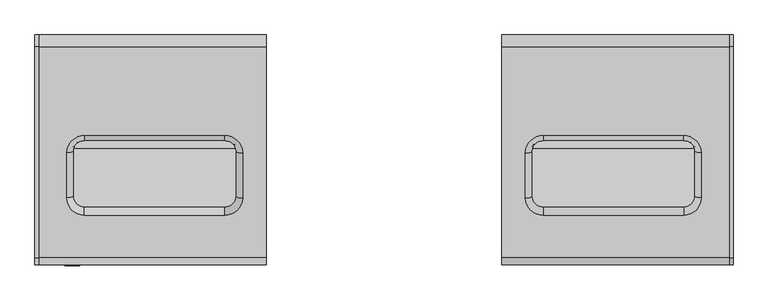
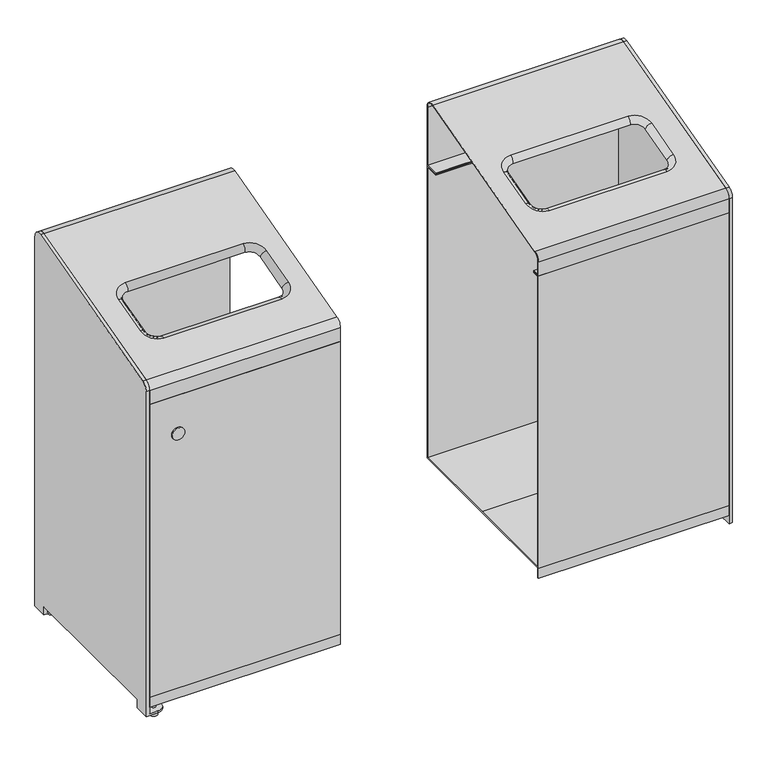
"""IFC4 building model written with IfcOpenShell, lengths in millimetres: furniture geometry."""

from ifc_helpers import new_model, si_unit, point, frame, frame_2d, origin, place, context, project, spatial, polyline, circle_curve, ellipse_curve, trimmed, segment, composite_curve, outline, extrude, source, transform, mapped, element, save
from ifc_brep_helpers import plane_surface, cylinder_surface, revolved_surface, advanced_brep


def furniture_2caf19bf(model_context):
    return source(origin(), model_context, "Body", "SolidModel", [
        advanced_brep(
        [(251.7499806, -222.1763809, 908.0446053), (251.7499806, 227.8236191, 1028.6217419), (251.7499806, 253.0, 1009.3032254), (251.7499806, 253.0, 850.9793809), (251.7499806, 215.0, 850.9793809), (251.7499806, 215.0, 852.9793809), (251.7499806, 251.0, 852.9793809), (251.7499806, 251.0, 1009.3032254), (251.7499806, 228.3412572, 1026.6898902), (251.7499806, -221.6587428, 906.1127537), (251.7499806, -235.0, 888.7260888), (251.7499806, -235.0, 852.9793809), (251.7499806, -217.0, 852.9793809), (251.7499806, -217.0, 850.9793809), (251.7499806, -237.0, 850.9793809), (251.7499806, -237.0, 888.7260888), (736.5000389, -222.1763809, 908.0446053), (736.5000389, -237.0, 888.7260888), (736.5000389, -237.0, 850.9793809), (736.5000389, -217.0, 850.9793809), (736.5000389, -217.0, 852.9793809), (736.5000389, -235.0, 852.9793809), (736.5000389, -235.0, 888.7260888), (736.5000389, -221.6587428, 906.1127537), (736.5000389, 228.3412572, 1026.6898902), (736.5000389, 251.0, 1009.3032254), (736.5000389, 251.0, 852.9793809), (736.5000389, 215.0, 852.9793809), (736.5000389, 215.0, 850.9793809), (736.5000389, 253.0, 850.9793809), (736.5000389, 253.0, 1009.3032254), (736.5000389, 227.8236191, 1028.6217419), (339.7961919, 38.6776264, 975.8696736), (301.6518658, 1.8330368, 965.9971955), (301.6518658, -94.3182984, 940.2335229), (339.8136947, -131.1797945, 930.3565148), (639.2040333, -131.1797945, 930.3565148), (677.3483593, -94.3352048, 940.2289928), (677.3483593, 1.8330368, 965.9971955), (639.2040333, 38.6776264, 975.8696736), (301.8089786, 1.3153987, 967.9290472), (339.7961919, 38.0082291, 977.7608614), (639.2040333, 38.0082291, 977.7608614), (677.1912466, 1.3153987, 967.9290472), (677.1912466, -94.8528429, 942.1608445), (639.2040333, -131.5456733, 932.3290302), (339.8136947, -131.5456733, 932.3290302), (301.8089786, -94.8359365, 942.1653746), (315.6812882, 4.9390424, 954.4054248), (339.7961919, 28.2322507, 960.6468212), (339.7961919, 30.1635684, 961.1643162), (313.681841, 4.9390424, 954.4054248), (315.6812882, -91.2122928, 928.6417522), (313.681841, -91.2122928, 928.6417522), (339.8136947, -114.5224075, 922.3958258), (339.8136947, -116.4537252, 921.8783308), (639.2040333, -114.5224075, 922.3958258), (639.2040333, -116.4537252, 921.8783308), (663.318937, -91.2291992, 928.6372221), (665.3183842, -91.2291992, 928.6372221), (663.318937, 4.9390424, 954.4054248), (665.3183842, 4.9390424, 954.4054248), (639.2040333, 28.2322507, 960.6468212), (639.2040333, 30.1635684, 961.1643162)],
        [
            (0, 1),
            (1, 2, circle_curve(frame((251.7499806, 233.0, 1009.3032254), z_axis=(-1.0, 0.0, 0.0), x_axis=(0.0, -1.0, 0.0)), 20.0)),
            (2, 3),
            (3, 4),
            (4, 5),
            (5, 6),
            (6, 7),
            (7, 8, circle_curve(frame((251.7499806, 233.0, 1009.3032254), z_axis=(1.0, 0.0, 0.0), x_axis=(0.0, -1.0, 0.0)), 18.0)),
            (8, 9),
            (9, 10, circle_curve(frame((251.7499806, -217.0, 888.7260888), z_axis=(1.0, 0.0, 0.0), x_axis=(0.0, -1.0, 0.0)), 18.0)),
            (10, 11),
            (11, 12),
            (12, 13),
            (13, 14),
            (14, 15),
            (15, 0, circle_curve(frame((251.7499806, -217.0, 888.7260888), z_axis=(-1.0, 0.0, 0.0), x_axis=(0.0, -1.0, 0.0)), 20.0)),
            (16, 17, circle_curve(frame((736.5000389, -217.0, 888.7260888), z_axis=(1.0, 0.0, 0.0), x_axis=(0.0, -1.0, 0.0)), 20.0)),
            (17, 18),
            (18, 19),
            (19, 20),
            (20, 21),
            (21, 22),
            (22, 23, circle_curve(frame((736.5000389, -217.0, 888.7260888), z_axis=(-1.0, 0.0, 0.0), x_axis=(0.0, -1.0, 0.0)), 18.0)),
            (23, 24),
            (24, 25, circle_curve(frame((736.5000389, 233.0, 1009.3032254), z_axis=(-1.0, 0.0, 0.0), x_axis=(0.0, -1.0, 0.0)), 18.0)),
            (25, 26),
            (26, 27),
            (27, 28),
            (28, 29),
            (29, 30),
            (30, 31, circle_curve(frame((736.5000389, 233.0, 1009.3032254), z_axis=(1.0, 0.0, 0.0), x_axis=(0.0, -1.0, 0.0)), 20.0)),
            (31, 16),
            (15, 17),
            (16, 0),
            (14, 18),
            (13, 19),
            (12, 20),
            (11, 21),
            (10, 22),
            (9, 23),
            (8, 24),
            (32, 33, circle_curve(frame((339.7961919, 1.8330368, 965.9971955), z_axis=(0.0, -0.2588190451025025, 0.9659258262890732), x_axis=(0.0, 0.9659258262890732, 0.2588190451025025)), 38.1443261)),
            (33, 34),
            (34, 35, circle_curve(frame((339.8136947, -94.3182984, 940.2335229), z_axis=(0.0, -0.2588190451025025, 0.9659258262890732), x_axis=(-1.0, 0.0, 0.0)), 38.1618289)),
            (35, 36),
            (36, 37, circle_curve(frame((639.2040333, -94.3352048, 940.2289928), z_axis=(0.0, -0.2588190451025025, 0.9659258262890732), x_axis=(0.0, -0.9659258262890732, -0.2588190451025025)), 38.1443261)),
            (37, 38),
            (38, 39, circle_curve(frame((639.2040333, 1.8330368, 965.9971955), z_axis=(0.0, -0.2588190451025025, 0.9659258262890732), x_axis=(1.0, 0.0, 0.0)), 38.1443261)),
            (39, 32),
            (7, 25),
            (6, 26),
            (5, 27),
            (4, 28),
            (3, 29),
            (2, 30),
            (1, 31),
            (40, 41, circle_curve(frame((339.7961919, 1.3153987, 967.9290472), z_axis=(0.0, 0.2588190451025025, -0.9659258262890732), x_axis=(0.0, 0.9659258262890732, 0.2588190451025025)), 37.9872133)),
            (41, 42),
            (42, 43, circle_curve(frame((639.2040333, 1.3153987, 967.9290472), z_axis=(0.0, 0.2588190451025025, -0.9659258262890732), x_axis=(1.0, 0.0, 0.0)), 37.9872133)),
            (43, 44),
            (44, 45, circle_curve(frame((639.2040333, -94.8528429, 942.1608445), z_axis=(0.0, 0.2588190451025025, -0.9659258262890732), x_axis=(0.0, -0.9659258262890732, -0.2588190451025025)), 37.9872133)),
            (45, 46),
            (46, 47, circle_curve(frame((339.8136947, -94.8359365, 942.1653746), z_axis=(0.0, 0.2588190451025025, -0.9659258262890732), x_axis=(-1.0, 0.0, 0.0)), 38.0047161)),
            (47, 40),
            (48, 49, circle_curve(frame((339.7961919, 4.9390424, 954.4054248), z_axis=(0.0, 0.2588190451025025, -0.9659258262890732), x_axis=(0.0, 0.9659258262890732, 0.2588190451025025)), 24.1149037)),
            (49, 41, circle_curve(frame((339.7961919, 41.5987993, 964.3606709), z_axis=(-1.0, 0.0, 0.0), x_axis=(0.0, -0.9659258262890732, -0.2588190451025025)), 13.8728981)),
            (40, 48, circle_curve(frame((301.8089786, 4.9059689, 954.5288566), z_axis=(0.0, 0.9659258262890732, 0.2588190451025025), x_axis=(1.0, 0.0, 0.0)), 13.8728981)),
            (32, 50, circle_curve(frame((339.7961919, 41.7912224, 964.2495754), z_axis=(1.0, 0.0, 0.0), x_axis=(0.0, -0.9659258262890732, -0.2588190451025025)), 12.0300109)),
            (50, 51, circle_curve(frame((339.7961919, 4.9390424, 954.4054248), z_axis=(0.0, -0.2588190451025025, 0.9659258262890732), x_axis=(0.0, 0.9659258262890732, 0.2588190451025025)), 26.1143509)),
            (51, 33, circle_curve(frame((301.6518658, 4.9466327, 954.3770973), z_axis=(0.0, -0.9659258262890732, -0.2588190451025025), x_axis=(1.0, 0.0, 0.0)), 12.0300109)),
            (47, 52, circle_curve(frame((301.8089786, -91.2453662, 928.765184), z_axis=(0.0, 0.9659258262890732, 0.2588190451025025), x_axis=(1.0, 0.0, 0.0)), 13.8728981)),
            (52, 48),
            (51, 53),
            (53, 34, circle_curve(frame((301.6518658, -91.2047024, 928.6134247), z_axis=(0.0, -0.9659258262890732, -0.2588190451025025), x_axis=(1.0, 0.0, 0.0)), 12.0300109)),
            (46, 54, circle_curve(frame((339.8136947, -127.955103, 918.9288397), z_axis=(-1.0, 0.0, 0.0), x_axis=(0.0, 0.9659258262890732, 0.2588190451025025)), 13.8728981)),
            (54, 52, circle_curve(frame((339.8136947, -91.2122928, 928.6417522), z_axis=(0.0, 0.2588190451025025, -0.9659258262890732), x_axis=(-1.0, 0.0, 0.0)), 24.1324065)),
            (53, 55, circle_curve(frame((339.8136947, -91.2122928, 928.6417522), z_axis=(0.0, -0.2588190451025025, 0.9659258262890732), x_axis=(-1.0, 0.0, 0.0)), 26.1318537)),
            (55, 35, circle_curve(frame((339.8136947, -128.0661985, 918.7364166), z_axis=(1.0, 0.0, 0.0), x_axis=(0.0, 0.9659258262890732, 0.2588190451025025)), 12.0300109)),
            (45, 56, circle_curve(frame((639.2040333, -127.955103, 918.9288397), z_axis=(-1.0, 0.0, 0.0), x_axis=(0.0, 0.9659258262890732, 0.2588190451025025)), 13.8728981)),
            (56, 54),
            (55, 57),
            (57, 36, circle_curve(frame((639.2040333, -128.0661985, 918.7364166), z_axis=(1.0, 0.0, 0.0), x_axis=(0.0, 0.9659258262890732, 0.2588190451025025)), 12.0300109)),
            (44, 58, circle_curve(frame((677.1912466, -91.2622726, 928.7606539), z_axis=(0.0, -0.9659258262890732, -0.2588190451025025), x_axis=(-1.0, 0.0, 0.0)), 13.8728981)),
            (58, 56, circle_curve(frame((639.2040333, -91.2291992, 928.6372221), z_axis=(0.0, 0.2588190451025025, -0.9659258262890732), x_axis=(0.0, -0.9659258262890732, -0.2588190451025025)), 24.1149037)),
            (57, 59, circle_curve(frame((639.2040333, -91.2291992, 928.6372221), z_axis=(0.0, -0.2588190451025025, 0.9659258262890732), x_axis=(0.0, -0.9659258262890732, -0.2588190451025025)), 26.1143509)),
            (59, 37, circle_curve(frame((677.3483593, -91.2216088, 928.6088947), z_axis=(0.0, 0.9659258262890732, 0.2588190451025025), x_axis=(-1.0, 0.0, 0.0)), 12.0300109)),
            (43, 60, circle_curve(frame((677.1912466, 4.9059689, 954.5288566), z_axis=(0.0, -0.9659258262890732, -0.2588190451025025), x_axis=(-1.0, 0.0, 0.0)), 13.8728981)),
            (60, 58),
            (59, 61),
            (61, 38, circle_curve(frame((677.3483593, 4.9466327, 954.3770973), z_axis=(0.0, 0.9659258262890732, 0.2588190451025025), x_axis=(-1.0, 0.0, 0.0)), 12.0300109)),
            (42, 62, circle_curve(frame((639.2040333, 41.5987993, 964.3606709), z_axis=(1.0, 0.0, 0.0), x_axis=(0.0, -0.9659258262890732, -0.2588190451025024)), 13.8728981)),
            (62, 60, circle_curve(frame((639.2040333, 4.9390424, 954.4054248), z_axis=(0.0, 0.2588190451025025, -0.9659258262890732), x_axis=(1.0, 0.0, 0.0)), 24.1149037)),
            (61, 63, circle_curve(frame((639.2040333, 4.9390424, 954.4054248), z_axis=(0.0, -0.2588190451025025, 0.9659258262890732), x_axis=(1.0, 0.0, 0.0)), 26.1143509)),
            (63, 39, circle_curve(frame((639.2040333, 41.7912224, 964.2495754), z_axis=(-1.0, 0.0, 0.0), x_axis=(0.0, -0.9659258262890732, -0.2588190451025024)), 12.0300109)),
            (49, 62),
            (63, 50),
        ],
        [
            plane_surface(frame((251.7499806, 227.8236191, 1028.6217419), z_axis=(-1.0, 0.0, 0.0), x_axis=(0.0, 0.9659258262890696, 0.2588190451025156))),
            plane_surface(frame((736.5000389, 227.8236191, 1028.6217419), z_axis=(1.0, 0.0, 0.0), x_axis=(0.0, -0.9659258262890696, -0.2588190451025156))),
            cylinder_surface(frame((736.5000389, -217.0, 888.7260888), z_axis=(-1.0, 0.0, 0.0), x_axis=(0.0, -1.0, 0.0)), 20.0),
            plane_surface(frame((251.7499806, -237.0, 850.9793809), z_axis=(0.0, -1.0, 0.0), x_axis=(1.0, 0.0, 0.0))),
            plane_surface(frame((251.7499806, -217.0, 850.9793809), z_axis=(0.0, 0.0, -1.0), x_axis=(1.0, 0.0, 0.0))),
            plane_surface(frame((251.7499806, -217.0, 852.9793809), z_axis=(0.0, 1.0, 0.0), x_axis=(1.0, 0.0, 0.0))),
            plane_surface(frame((251.7499806, -235.0, 852.9793809), z_axis=(0.0, 0.0, 1.0), x_axis=(1.0, 0.0, 0.0))),
            plane_surface(frame((251.7499806, -235.0, 888.7260888), z_axis=(0.0, 1.0, 0.0), x_axis=(1.0, 0.0, 0.0))),
            revolved_surface(polyline([(736.5000389, -235.0, 888.7260888), (251.74998059999996, -235.0, 888.7260888)]), (736.5000389, -217.0, 888.7260888), (1.0, 0.0, 0.0)),
            plane_surface(frame((251.7499806, 228.3412572, 1026.6898902), z_axis=(0.0, 0.25881904510251524, -0.9659258262890698), x_axis=(1.0, 0.0, 0.0))),
            revolved_surface(polyline([(736.5000389, 215.0, 1009.3032254), (251.74998059999996, 215.0, 1009.3032254)]), (736.5000389, 233.0, 1009.3032254), (1.0, 0.0, 0.0)),
            plane_surface(frame((251.7499806, 251.0, 852.9793809), z_axis=(0.0, -1.0, 0.0), x_axis=(1.0, 0.0, 0.0))),
            plane_surface(frame((251.7499806, 215.0, 852.9793809), z_axis=(0.0, 0.0, 1.0), x_axis=(1.0, 0.0, 0.0))),
            plane_surface(frame((251.7499806, 215.0, 850.9793809), z_axis=(0.0, -1.0, 0.0), x_axis=(1.0, 0.0, 0.0))),
            plane_surface(frame((251.7499806, 253.0, 850.9793809), z_axis=(0.0, 0.0, -1.0), x_axis=(1.0, 0.0, 0.0))),
            plane_surface(frame((251.7499806, 253.0, 1009.3032254), z_axis=(0.0, 1.0, 0.0), x_axis=(1.0, 0.0, 0.0))),
            cylinder_surface(frame((736.5000389, 233.0, 1009.3032254), z_axis=(-1.0, 0.0, 0.0), x_axis=(0.0, -1.0, 0.0)), 20.0),
            plane_surface(frame((251.7499806, -222.1763809, 908.0446053), z_axis=(0.0, -0.2588190451025156, 0.9659258262890696), x_axis=(1.0, 0.0, 0.0))),
            revolved_surface(trimmed(ellipse_curve(frame((339.7961919, 41.5987993, 964.3606709), z_axis=(1.0, 0.0, 0.0), x_axis=(0.0, -0.9659258262890732, -0.2588190451025025)), 13.8728981, 13.8728981), [point((339.7961919, 38.0082291, 977.7608614))], [point((339.7961919, 28.2322507, 960.6468212))], True, "CARTESIAN"), (339.7961919, 234.2524876, 98.5959962), (0.0, -0.2588190451025025, 0.9659258262890732)),
            revolved_surface(trimmed(ellipse_curve(frame((339.7961919, 41.7912224, 964.2495754), z_axis=(-1.0, 0.0, 0.0), x_axis=(0.0, -0.9659258262890732, -0.2588190451025025)), 12.0300109, 12.0300109), [point((339.7961919, 30.1635684, 961.1643162))], [point((339.7961919, 38.6776264, 975.8696736))], True, "CARTESIAN"), (339.7961919, 234.2524876, 98.5959962), (0.0, -0.2588190451025025, 0.9659258262890732)),
            cylinder_surface(frame((301.8089786, 4.9059689, 954.5288566), z_axis=(0.0, 0.9659258262890732, 0.2588190451025025), x_axis=(1.0, 0.0, 0.0)), 13.8728981),
            revolved_surface(polyline([(313.6818767, -91.20470246875668, 928.6134246903594), (313.6818767, 4.946632728688838, 954.3770973076871)]), (301.6518658, 4.9466327, 954.3770973), (0.0, -0.9659258262890732, -0.2588190451025025)),
            revolved_surface(trimmed(ellipse_curve(frame((301.8089786, -91.2453662, 928.765184), z_axis=(0.0, 0.9659258262890732, 0.2588190451025025), x_axis=(1.0, 0.0, 0.0)), 13.8728981, 13.8728981), [point((301.8089786, -94.8359365, 942.1653746))], [point((315.6812882, -91.2122928, 928.6417522))], True, "CARTESIAN"), (339.8136947, 138.1011525, 72.8323236), (0.0, -0.2588190451025025, 0.9659258262890732)),
            revolved_surface(trimmed(ellipse_curve(frame((301.6518658, -91.2047024, 928.6134247), z_axis=(0.0, -0.9659258262890732, -0.2588190451025025), x_axis=(1.0, 0.0, 0.0)), 12.0300109, 12.0300109), [point((313.681841, -91.2122928, 928.6417522))], [point((301.6518658, -94.3182984, 940.2335229))], True, "CARTESIAN"), (339.8136947, 138.1011525, 72.8323236), (0.0, -0.2588190451025025, 0.9659258262890732)),
            cylinder_surface(frame((339.8136947, -127.955103, 918.9288397), z_axis=(-1.0000000000000002, 0.0, 0.0), x_axis=(0.0, 0.9659258262890732, 0.2588190451025025)), 13.8728981),
            revolved_surface(polyline([(639.2040333000001, -116.44610028115096, 921.8500125337107), (339.8136947, -116.44610028115096, 921.8500125337107)]), (339.8136947, -128.0661985, 918.7364166), (1.0000000000000002, 0.0, 0.0)),
            revolved_surface(trimmed(ellipse_curve(frame((639.2040333, -127.955103, 918.9288397), z_axis=(-1.0, 0.0, 0.0), x_axis=(0.0, 0.9659258262890732, 0.2588190451025025)), 13.8728981, 13.8728981), [point((639.2040333, -131.5456733, 932.3290302))], [point((639.2040333, -114.5224075, 922.3958258))], True, "CARTESIAN"), (639.2040333, 138.0842461, 72.8277935), (0.0, -0.2588190451025025, 0.9659258262890732)),
            revolved_surface(trimmed(ellipse_curve(frame((639.2040333, -128.0661985, 918.7364166), z_axis=(1.0, 0.0, 0.0), x_axis=(0.0, 0.9659258262890732, 0.2588190451025025)), 12.0300109, 12.0300109), [point((639.2040333, -116.4537252, 921.8783308))], [point((639.2040333, -131.1797945, 930.3565148))], True, "CARTESIAN"), (639.2040333, 138.0842461, 72.8277935), (0.0, -0.2588190451025025, 0.9659258262890732)),
            cylinder_surface(frame((677.1912466, -91.2622726, 928.7606539), z_axis=(0.0, -0.9659258262890732, -0.2588190451025025), x_axis=(-1.0, 0.0, 0.0)), 13.8728981),
            revolved_surface(polyline([(665.3183484, 4.946632716827779, 954.3770973519531), (665.3183484, -91.221608891561, 928.6088946754662)]), (677.3483593, -91.2216088, 928.6088947), (0.0, 0.9659258262890732, 0.2588190451025025)),
            revolved_surface(trimmed(ellipse_curve(frame((677.1912466, 4.9059689, 954.5288566), z_axis=(0.0, -0.9659258262890732, -0.2588190451025025), x_axis=(-1.0, 0.0, 0.0)), 13.8728981, 13.8728981), [point((677.1912466, 1.3153987, 967.9290472))], [point((663.318937, 4.9390424, 954.4054248))], True, "CARTESIAN"), (639.2040333, 234.2524876, 98.5959962), (0.0, -0.2588190451025025, 0.9659258262890732)),
            revolved_surface(trimmed(ellipse_curve(frame((677.3483593, 4.9466327, 954.3770973), z_axis=(0.0, 0.9659258262890732, 0.2588190451025025), x_axis=(-1.0, 0.0, 0.0)), 12.0300109, 12.0300109), [point((665.3183842, 4.9390424, 954.4054248))], [point((677.3483593, 1.8330368, 965.9971955))], True, "CARTESIAN"), (639.2040333, 234.2524876, 98.5959962), (0.0, -0.2588190451025025, 0.9659258262890732)),
            cylinder_surface(frame((639.2040333, 41.5987993, 964.3606709), z_axis=(1.0, 0.0, 0.0), x_axis=(0.0, -0.9659258262890732, -0.2588190451025025)), 13.8728981),
            revolved_surface(polyline([(339.7961919, 30.171124181150944, 961.1359794662893), (639.2040333, 30.171124181150944, 961.1359794662893)]), (639.2040333, 41.7912224, 964.2495754), (-1.0, 0.0, 0.0)),
            plane_surface(frame((639.2040333, 28.2322507, 960.6468212), z_axis=(0.0, 0.2588190451025025, -0.9659258262890732), x_axis=(-1.0, 0.0, 0.0))),
        ],
        [
            (0, [[1, 2, 3, 4, 5, 6, 7, 8, 9, 10, 11, 12, 13, 14, 15, 16]]),
            (1, [[17, 18, 19, 20, 21, 22, 23, 24, 25, 26, 27, 28, 29, 30, 31, 32]]),
            (2, [[-16, 33, -17, 34]]),
            (3, [[-15, 35, -18, -33]]),
            (4, [[-14, 36, -19, -35]]),
            (5, [[-13, 37, -20, -36]]),
            (6, [[-12, 38, -21, -37]]),
            (7, [[-11, 39, -22, -38]]),
            (8, [[-10, 40, -23, -39]]),
            (9, [[-9, 41, -24, -40], [42, 43, 44, 45, 46, 47, 48, 49]]),
            (10, [[-8, 50, -25, -41]]),
            (11, [[-7, 51, -26, -50]]),
            (12, [[-6, 52, -27, -51]]),
            (13, [[-5, 53, -28, -52]]),
            (14, [[-4, 54, -29, -53]]),
            (15, [[-3, 55, -30, -54]]),
            (16, [[-2, 56, -31, -55]]),
            (17, [[-1, -34, -32, -56], [57, 58, 59, 60, 61, 62, 63, 64]]),
            (18, [[65, 66, -57, 67]]),
            (19, [[-42, 68, 69, 70]]),
            (20, [[-67, -64, 71, 72]]),
            (21, [[-70, 73, 74, -43]]),
            (22, [[-71, -63, 75, 76]]),
            (23, [[-74, 77, 78, -44]]),
            (24, [[-75, -62, 79, 80]]),
            (25, [[-78, 81, 82, -45]]),
            (26, [[-79, -61, 83, 84]]),
            (27, [[-82, 85, 86, -46]]),
            (28, [[-83, -60, 87, 88]]),
            (29, [[-86, 89, 90, -47]]),
            (30, [[-87, -59, 91, 92]]),
            (31, [[-90, 93, 94, -48]]),
            (32, [[-66, 95, -91, -58]]),
            (33, [[-68, -49, -94, 96]]),
            (34, [[-69, -96, -93, -89, -85, -81, -77, -73], [-65, -72, -76, -80, -84, -88, -92, -95]]),
        ],
    ),
        extrude(outline(polyline([(250.0, 67.0), (250.0, 847.9793809), (215.0, 847.9793809), (215.0, 850.9793809), (253.0, 850.9793809), (253.0, 64.0), (6.4200832, 64.0), (-234.0, 64.0), (-234.0, 37.0), (-237.0, 37.0), (-237.0, 64.0), (-237.0, 850.9793809), (-217.0, 850.9793809), (-217.0, 847.9793809), (-234.0, 847.9793809), (-234.0, 67.0), (10.7967628, 67.0), (250.0, 67.0)])), frame((251.7499806, 0.0, 0.0), z_axis=(1.0, 0.0, 0.0), x_axis=(0.0, 1.0, 0.0)), (0.0, 0.0, 1.0), 484.7500583),
        extrude(outline(composite_curve([segment(trimmed(circle_curve(frame_2d((233.0, 1009.3032254)), 20.0), [point((227.8236191, 1028.6217419))], [point((253.0, 1009.3032254))], False, "CARTESIAN"), True, "CONTINUOUS"), segment(polyline([(253.0, 1009.3032254), (253.0, 15.0), (213.0, 15.0), (213.0, 37.0), (-197.0, 37.0), (-197.0, 15.0), (-237.0, 15.0), (-237.0, 888.7260888)]), True, "CONTINUOUS"), segment(trimmed(circle_curve(frame_2d((-217.0, 888.7260888)), 20.0), [point((-237.0, 888.7260888))], [point((-222.1763809, 908.0446053))], False, "CARTESIAN"), True, "CONTINUOUS"), segment(polyline([(-222.1763809, 908.0446053), (227.8236191, 1028.6217419)]), True, "CONTINUOUS")], self_intersect=False)), frame((736.5000389, 0.0, 0.0), z_axis=(1.0, 0.0, 0.0), x_axis=(0.0, 1.0, 0.0)), (0.0, 0.0, 1.0), 8.4999611),
        advanced_brep(
        [(-715.0443151, 213.0, 20.0), (-715.0443151, 253.0, 20.0), (-736.5000389, 253.0, 20.0), (-736.5000389, 213.0, 20.0), (-710.0, 233.0, 20.0), (-720.0, 233.0, 20.0), (-715.0443151, -237.0, 20.0), (-715.0443151, -197.0, 20.0), (-736.5000389, -197.0, 20.0), (-736.5000389, -237.0, 20.0), (-710.0, -217.0, 20.0), (-720.0, -217.0, 20.0), (-715.0443151, 253.0, 15.0), (-715.0443151, 213.0, 15.0), (-745.0, 213.0, 15.0), (-745.0, 253.0, 15.0), (-720.0, 233.0, 15.0), (-710.0, 233.0, 15.0), (-715.0443151, -197.0, 15.0), (-715.0443151, -237.0, 15.0), (-745.0, -237.0, 15.0), (-745.0, -197.0, 15.0), (-720.0, -217.0, 15.0), (-710.0, -217.0, 15.0), (-736.5000389, 213.0, 37.0), (-745.0, 213.0, 37.0), (-745.0, 253.0, 1009.3032254), (-736.5000389, 253.0, 1009.3032254), (-736.5000389, -237.0, 888.7260888), (-745.0, -237.0, 888.7260888), (-745.0, -197.0, 37.0), (-736.5000389, -197.0, 37.0), (-736.5000389, 227.8236191, 1028.6217419), (-736.5000389, -222.1763809, 908.0446053), (-745.0, 227.8236191, 1028.6217419), (-745.0, -222.1763809, 908.0446053), (-720.0, 233.0, 28.0284098), (-710.0, 233.0, 28.0284098), (-720.0, -217.0, 28.0284098), (-710.0, -217.0, 28.0284098), (-720.0, 233.0, 10.0), (-710.0, 233.0, 10.0), (-720.0, -217.0, 10.0), (-710.0, -217.0, 10.0), (-725.0, -217.0, 10.0), (-705.0, -217.0, 10.0), (-725.0, 233.0, 10.0), (-705.0, 233.0, 10.0), (-725.0, -217.0, 0.0), (-705.0, -217.0, 0.0), (-725.0, 233.0, 0.0), (-705.0, 233.0, 0.0)],
        [
            (0, 1, circle_curve(frame((-715.0443151, 233.0, 20.0), z_axis=(0.0, 0.0, 1.0), x_axis=(1.0, 0.0, 0.0)), 20.0)),
            (1, 2),
            (2, 3),
            (3, 0),
            (4, 5, circle_curve(frame((-715.0, 233.0, 20.0), z_axis=(0.0, 0.0, -1.0), x_axis=(1.0, 0.0, 0.0)), 5.0)),
            (5, 4, circle_curve(frame((-715.0, 233.0, 20.0), z_axis=(0.0, 0.0, -1.0), x_axis=(1.0, 0.0, 0.0)), 5.0)),
            (6, 7, circle_curve(frame((-715.0443151, -217.0, 20.0), z_axis=(0.0, 0.0, 1.0), x_axis=(1.0, 0.0, 0.0)), 20.0)),
            (7, 8),
            (8, 9),
            (9, 6),
            (10, 11, circle_curve(frame((-715.0, -217.0, 20.0), z_axis=(0.0, 0.0, -1.0), x_axis=(1.0, 0.0, 0.0)), 5.0)),
            (11, 10, circle_curve(frame((-715.0, -217.0, 20.0), z_axis=(0.0, 0.0, -1.0), x_axis=(1.0, 0.0, 0.0)), 5.0)),
            (12, 13, circle_curve(frame((-715.0443151, 233.0, 15.0), z_axis=(0.0, 0.0, -1.0), x_axis=(1.0, 0.0, 0.0)), 20.0)),
            (13, 14),
            (14, 15),
            (15, 12),
            (16, 17, circle_curve(frame((-715.0, 233.0, 15.0), z_axis=(0.0, 0.0, 1.0), x_axis=(1.0, 0.0, 0.0)), 5.0)),
            (17, 16, circle_curve(frame((-715.0, 233.0, 15.0), z_axis=(0.0, 0.0, 1.0), x_axis=(1.0, 0.0, 0.0)), 5.0)),
            (18, 19, circle_curve(frame((-715.0443151, -217.0, 15.0), z_axis=(0.0, 0.0, -1.0), x_axis=(1.0, 0.0, 0.0)), 20.0)),
            (19, 20),
            (20, 21),
            (21, 18),
            (22, 23, circle_curve(frame((-715.0, -217.0, 15.0), z_axis=(0.0, 0.0, 1.0), x_axis=(1.0, 0.0, 0.0)), 5.0)),
            (23, 22, circle_curve(frame((-715.0, -217.0, 15.0), z_axis=(0.0, 0.0, 1.0), x_axis=(1.0, 0.0, 0.0)), 5.0)),
            (13, 0),
            (3, 24),
            (24, 25),
            (25, 14),
            (12, 1),
            (15, 26),
            (26, 27),
            (27, 2),
            (19, 6),
            (9, 28),
            (28, 29),
            (29, 20),
            (18, 7),
            (21, 30),
            (30, 31),
            (31, 8),
            (32, 33),
            (33, 28, circle_curve(frame((-736.5000389, -217.0, 888.7260888), z_axis=(1.0, 0.0, 0.0), x_axis=(0.0, -1.0, 0.0)), 20.0)),
            (31, 24),
            (27, 32, circle_curve(frame((-736.5000389, 233.0, 1009.3032254), z_axis=(1.0, 0.0, 0.0), x_axis=(0.0, -1.0, 0.0)), 20.0)),
            (34, 26, circle_curve(frame((-745.0, 233.0, 1009.3032254), z_axis=(-1.0, 0.0, 0.0), x_axis=(0.0, -1.0, 0.0)), 20.0)),
            (25, 30),
            (29, 35, circle_curve(frame((-745.0, -217.0, 888.7260888), z_axis=(-1.0, 0.0, 0.0), x_axis=(0.0, -1.0, 0.0)), 20.0)),
            (35, 34),
            (32, 34),
            (35, 33),
            (36, 37, circle_curve(frame((-715.0, 233.0, 28.0284098), z_axis=(0.0, 0.0, 1.0), x_axis=(1.0, 0.0, 0.0)), 5.0)),
            (37, 36, circle_curve(frame((-715.0, 233.0, 28.0284098), z_axis=(0.0, 0.0, 1.0), x_axis=(1.0, 0.0, 0.0)), 5.0)),
            (38, 39, circle_curve(frame((-715.0, -217.0, 28.0284098), z_axis=(0.0, 0.0, 1.0), x_axis=(1.0, 0.0, 0.0)), 5.0)),
            (39, 38, circle_curve(frame((-715.0, -217.0, 28.0284098), z_axis=(0.0, 0.0, 1.0), x_axis=(1.0, 0.0, 0.0)), 5.0)),
            (36, 5),
            (4, 37),
            (16, 40),
            (40, 41, circle_curve(frame((-715.0, 233.0, 10.0), z_axis=(0.0, 0.0, 1.0), x_axis=(1.0, 0.0, 0.0)), 5.0)),
            (41, 17),
            (41, 40, circle_curve(frame((-715.0, 233.0, 10.0), z_axis=(0.0, 0.0, 1.0), x_axis=(1.0, 0.0, 0.0)), 5.0)),
            (38, 11),
            (10, 39),
            (22, 42),
            (42, 43, circle_curve(frame((-715.0, -217.0, 10.0), z_axis=(0.0, 0.0, 1.0), x_axis=(1.0, 0.0, 0.0)), 5.0)),
            (43, 23),
            (43, 42, circle_curve(frame((-715.0, -217.0, 10.0), z_axis=(0.0, 0.0, 1.0), x_axis=(1.0, 0.0, 0.0)), 5.0)),
            (44, 45, circle_curve(frame((-715.0, -217.0, 10.0), z_axis=(0.0, 0.0, 1.0), x_axis=(1.0, 0.0, 0.0)), 10.0)),
            (45, 44, circle_curve(frame((-715.0, -217.0, 10.0), z_axis=(0.0, 0.0, 1.0), x_axis=(1.0, 0.0, 0.0)), 10.0)),
            (46, 47, circle_curve(frame((-715.0, 233.0, 10.0), z_axis=(0.0, 0.0, 1.0), x_axis=(1.0, 0.0, 0.0)), 10.0)),
            (47, 46, circle_curve(frame((-715.0, 233.0, 10.0), z_axis=(0.0, 0.0, 1.0), x_axis=(1.0, 0.0, 0.0)), 10.0)),
            (48, 49, circle_curve(frame((-715.0, -217.0, 0.0), z_axis=(0.0, 0.0, -1.0), x_axis=(1.0, 0.0, 0.0)), 10.0)),
            (49, 48, circle_curve(frame((-715.0, -217.0, 0.0), z_axis=(0.0, 0.0, -1.0), x_axis=(1.0, 0.0, 0.0)), 10.0)),
            (50, 51, circle_curve(frame((-715.0, 233.0, 0.0), z_axis=(0.0, 0.0, -1.0), x_axis=(1.0, 0.0, 0.0)), 10.0)),
            (51, 50, circle_curve(frame((-715.0, 233.0, 0.0), z_axis=(0.0, 0.0, -1.0), x_axis=(1.0, 0.0, 0.0)), 10.0)),
            (44, 48),
            (49, 45),
            (46, 50),
            (51, 47),
        ],
        [
            plane_surface(frame((-715.0, 213.0, 20.0), z_axis=(0.0, 0.0, 1.0), x_axis=(1.0, 0.0, 0.0))),
            plane_surface(frame((-715.0, 213.0, 15.0), z_axis=(0.0, 0.0, -1.0), x_axis=(-1.0, 0.0, 0.0))),
            plane_surface(frame((-739.0, 213.0, 20.0), z_axis=(0.0, -1.0, 0.0), x_axis=(0.0, 0.0, -1.0))),
            cylinder_surface(frame((-715.0443151, 233.0, 15.0), z_axis=(0.0, 0.0, 1.0), x_axis=(1.0, 0.0, 0.0)), 20.0),
            plane_surface(frame((-715.0443151, 253.0, 20.0), z_axis=(0.0, 1.0, 0.0), x_axis=(0.0, 0.0, -1.0))),
            plane_surface(frame((-739.0, -237.0, 20.0), z_axis=(0.0, -1.0, 0.0), x_axis=(0.0, 0.0, -1.0))),
            cylinder_surface(frame((-715.0443151, -217.0, 0.0), z_axis=(0.0, 0.0, 1.0), x_axis=(1.0, 0.0, 0.0)), 20.0),
            plane_surface(frame((-715.0443151, -197.0, 20.0), z_axis=(0.0, 1.0, 0.0), x_axis=(0.0, 0.0, -1.0))),
            plane_surface(frame((-736.5000389, -221.4351999, 908.2432041), z_axis=(1.0, 0.0, 0.0), x_axis=(0.0, -0.9659258262890698, -0.2588190451025153))),
            plane_surface(frame((-745.0, -221.4351999, 908.2432041), z_axis=(-1.0, 0.0, 0.0), x_axis=(0.0, 0.9659258262890698, 0.2588190451025153))),
            plane_surface(frame((-736.5000389, 227.8236191, 1028.6217419), z_axis=(0.0, -0.2588190451025153, 0.9659258262890698), x_axis=(-1.0, 0.0, 0.0))),
            cylinder_surface(frame((-745.0, -217.0, 888.7260888), z_axis=(1.0, 0.0, 0.0), x_axis=(0.0, -1.0, 0.0)), 20.0),
            plane_surface(frame((-736.5000389, -197.0, 37.0), z_axis=(0.0, 0.0, -1.0), x_axis=(-1.0, 0.0, 0.0))),
            cylinder_surface(frame((-745.0, 233.0, 1009.3032254), z_axis=(1.0, 0.0, 0.0), x_axis=(0.0, -1.0, 0.0)), 20.0),
            plane_surface(frame((-710.0, 233.0, 28.0284098), z_axis=(0.0, 0.0, 1.0), x_axis=(0.0, 1.0, 0.0))),
            cylinder_surface(frame((-715.0, 233.0, 10.0), z_axis=(0.0, 0.0, 1.0), x_axis=(1.0, 0.0, 0.0)), 5.0),
            cylinder_surface(frame((-715.0, -217.0, 0.0), z_axis=(0.0, 0.0, 1.0), x_axis=(1.0, 0.0, 0.0)), 5.0),
            plane_surface(frame((-705.0, -217.0, 10.0), z_axis=(0.0, 0.0, 1.0), x_axis=(0.0, 1.0, 0.0))),
            plane_surface(frame((-705.0, -217.0, 0.0), z_axis=(0.0, 0.0, -1.0), x_axis=(0.0, -1.0, 0.0))),
            cylinder_surface(frame((-715.0, -217.0, 0.0), z_axis=(0.0, 0.0, 1.0), x_axis=(1.0, 0.0, 0.0)), 10.0),
            cylinder_surface(frame((-715.0, 233.0, 0.0), z_axis=(0.0, 0.0, 1.0), x_axis=(1.0, 0.0, 0.0)), 10.0),
        ],
        [
            (0, [[1, 2, 3, 4], [5, 6]]),
            (0, [[7, 8, 9, 10], [11, 12]]),
            (1, [[13, 14, 15, 16], [17, 18]]),
            (1, [[19, 20, 21, 22], [23, 24]]),
            (2, [[25, -4, 26, 27, 28, -14]]),
            (3, [[-1, -25, -13, 29]]),
            (4, [[-29, -16, 30, 31, 32, -2]]),
            (5, [[33, -10, 34, 35, 36, -20]]),
            (6, [[-7, -33, -19, 37]]),
            (7, [[-37, -22, 38, 39, 40, -8]]),
            (8, [[41, 42, -34, -9, -40, 43, -26, -3, -32, 44]]),
            (9, [[45, -30, -15, -28, 46, -38, -21, -36, 47, 48]]),
            (10, [[-41, 49, -48, 50]]),
            (11, [[-42, -50, -47, -35]]),
            (12, [[-43, -39, -46, -27]]),
            (13, [[-44, -31, -45, -49]]),
            (14, [[51, 52]]),
            (14, [[53, 54]]),
            (15, [[-51, 55, -5, 56]]),
            (15, [[57, 58, 59, -17]]),
            (15, [[-52, -56, -6, -55]]),
            (15, [[-57, -18, -59, 60]]),
            (16, [[-53, 61, -11, 62]]),
            (16, [[63, 64, 65, -23]]),
            (16, [[-54, -62, -12, -61]]),
            (16, [[-63, -24, -65, 66]]),
            (17, [[67, 68], [-64, -66]]),
            (17, [[69, 70], [-58, -60]]),
            (18, [[71, 72]]),
            (18, [[73, 74]]),
            (19, [[-67, 75, -72, 76]]),
            (19, [[-68, -76, -71, -75]]),
            (20, [[-69, 77, -74, 78]]),
            (20, [[-70, -78, -73, -77]]),
        ],
    ),
        extrude(outline(composite_curve([segment(trimmed(circle_curve(frame_2d((749.0, -665.0)), 16.0), [point((749.0, -681.0))], [point((749.0, -649.0))], False, "CARTESIAN"), True, "CONTINUOUS"), segment(trimmed(circle_curve(frame_2d((749.0, -665.0)), 16.0), [point((749.0, -649.0))], [point((749.0, -681.0))], False, "CARTESIAN"), True, "CONTINUOUS")], self_intersect=False)), frame((0.0, -240.0000534, 0.0), z_axis=(0.0, 1.0, 0.0), x_axis=(0.0, 0.0, 1.0)), (0.0, 0.0, 1.0), 6.0000534),
        extrude(outline(polyline([(250.0, 67.0), (250.0, 847.9793809), (215.0, 847.9793809), (215.0, 850.9793809), (253.0, 850.9793809), (253.0, 64.0), (6.4200832, 64.0), (-234.0, 64.0), (-234.0, 37.0), (-237.0, 37.0), (-237.0, 64.0), (-237.0, 850.9793809), (-217.0, 850.9793809), (-217.0, 847.9793809), (-234.0, 847.9793809), (-234.0, 67.0), (10.7967628, 67.0), (250.0, 67.0)])), frame((-736.5000389, 0.0, 0.0), z_axis=(1.0, 0.0, 0.0), x_axis=(0.0, 1.0, 0.0)), (0.0, 0.0, 1.0), 484.7500583),
        advanced_brep(
        [(-251.7499806, -222.1763809, 908.0446053), (-251.7499806, -237.0, 888.7260888), (-251.7499806, -237.0, 850.9793809), (-251.7499806, -217.0, 850.9793809), (-251.7499806, -217.0, 852.9793809), (-251.7499806, -235.0, 852.9793809), (-251.7499806, -235.0, 888.7260888), (-251.7499806, -221.6587428, 906.1127537), (-251.7499806, 228.3412572, 1026.6898902), (-251.7499806, 251.0, 1009.3032254), (-251.7499806, 251.0, 852.9793809), (-251.7499806, 215.0, 852.9793809), (-251.7499806, 215.0, 850.9793809), (-251.7499806, 253.0, 850.9793809), (-251.7499806, 253.0, 1009.3032254), (-251.7499806, 227.8236191, 1028.6217419), (-736.5000389, -222.1763809, 908.0446053), (-736.5000389, 227.8236191, 1028.6217419), (-736.5000389, 253.0, 1009.3032254), (-736.5000389, 253.0, 850.9793809), (-736.5000389, 215.0, 850.9793809), (-736.5000389, 215.0, 852.9793809), (-736.5000389, 251.0, 852.9793809), (-736.5000389, 251.0, 1009.3032254), (-736.5000389, 228.3412572, 1026.6898902), (-736.5000389, -221.6587428, 906.1127537), (-736.5000389, -235.0, 888.7260888), (-736.5000389, -235.0, 852.9793809), (-736.5000389, -217.0, 852.9793809), (-736.5000389, -217.0, 850.9793809), (-736.5000389, -237.0, 850.9793809), (-736.5000389, -237.0, 888.7260888), (-301.6518658, 1.8330368, 965.9971955), (-339.7961919, 38.6776264, 975.8696736), (-639.2040333, 38.6776264, 975.8696736), (-677.3483593, 1.8330368, 965.9971955), (-677.3483593, -94.3352048, 940.2289928), (-639.2040333, -131.1797945, 930.3565148), (-339.8136947, -131.1797945, 930.3565148), (-301.6518658, -94.3182984, 940.2335229), (-339.7961919, 38.0082291, 977.7608614), (-301.8089786, 1.3153987, 967.9290472), (-301.8089786, -94.8359365, 942.1653746), (-339.8136947, -131.5456733, 932.3290302), (-639.2040333, -131.5456733, 932.3290302), (-677.1912466, -94.8528429, 942.1608445), (-677.1912466, 1.3153987, 967.9290472), (-639.2040333, 38.0082291, 977.7608614), (-339.7961919, 28.2322507, 960.6468212), (-315.6812882, 4.9390424, 954.4054248), (-313.681841, 4.9390424, 954.4054248), (-339.7961919, 30.1635684, 961.1643162), (-315.6812882, -91.2122928, 928.6417522), (-313.681841, -91.2122928, 928.6417522), (-339.8136947, -114.5224075, 922.3958258), (-339.8136947, -116.4537252, 921.8783308), (-639.2040333, -114.5224075, 922.3958258), (-639.2040333, -116.4537252, 921.8783308), (-663.318937, -91.2291992, 928.6372221), (-665.3183842, -91.2291992, 928.6372221), (-663.318937, 4.9390424, 954.4054248), (-665.3183842, 4.9390424, 954.4054248), (-639.2040333, 28.2322507, 960.6468212), (-639.2040333, 30.1635684, 961.1643162)],
        [
            (0, 1, circle_curve(frame((-251.7499806, -217.0, 888.7260888), z_axis=(1.0, 0.0, 0.0), x_axis=(0.0, -1.0, 0.0)), 20.0)),
            (1, 2),
            (2, 3),
            (3, 4),
            (4, 5),
            (5, 6),
            (6, 7, circle_curve(frame((-251.7499806, -217.0, 888.7260888), z_axis=(-1.0, 0.0, 0.0), x_axis=(0.0, -1.0, 0.0)), 18.0)),
            (7, 8),
            (8, 9, circle_curve(frame((-251.7499806, 233.0, 1009.3032254), z_axis=(-1.0, 0.0, 0.0), x_axis=(0.0, -1.0, 0.0)), 18.0)),
            (9, 10),
            (10, 11),
            (11, 12),
            (12, 13),
            (13, 14),
            (14, 15, circle_curve(frame((-251.7499806, 233.0, 1009.3032254), z_axis=(1.0, 0.0, 0.0), x_axis=(0.0, -1.0, 0.0)), 20.0)),
            (15, 0),
            (16, 17),
            (17, 18, circle_curve(frame((-736.5000389, 233.0, 1009.3032254), z_axis=(-1.0, 0.0, 0.0), x_axis=(0.0, -1.0, 0.0)), 20.0)),
            (18, 19),
            (19, 20),
            (20, 21),
            (21, 22),
            (22, 23),
            (23, 24, circle_curve(frame((-736.5000389, 233.0, 1009.3032254), z_axis=(1.0, 0.0, 0.0), x_axis=(0.0, -1.0, 0.0)), 18.0)),
            (24, 25),
            (25, 26, circle_curve(frame((-736.5000389, -217.0, 888.7260888), z_axis=(1.0, 0.0, 0.0), x_axis=(0.0, -1.0, 0.0)), 18.0)),
            (26, 27),
            (27, 28),
            (28, 29),
            (29, 30),
            (30, 31),
            (31, 16, circle_curve(frame((-736.5000389, -217.0, 888.7260888), z_axis=(-1.0, 0.0, 0.0), x_axis=(0.0, -1.0, 0.0)), 20.0)),
            (0, 16),
            (31, 1),
            (30, 2),
            (29, 3),
            (28, 4),
            (27, 5),
            (26, 6),
            (25, 7),
            (24, 8),
            (32, 33, circle_curve(frame((-339.7961919, 1.8330368, 965.9971955), z_axis=(0.0, -0.2588190451025025, 0.9659258262890732), x_axis=(0.0, 0.9659258262890732, 0.2588190451025025)), 38.1443261)),
            (33, 34),
            (34, 35, circle_curve(frame((-639.2040333, 1.8330368, 965.9971955), z_axis=(0.0, -0.2588190451025025, 0.9659258262890732), x_axis=(-1.0, 0.0, 0.0)), 38.1443261)),
            (35, 36),
            (36, 37, circle_curve(frame((-639.2040333, -94.3352048, 940.2289928), z_axis=(0.0, -0.2588190451025025, 0.9659258262890732), x_axis=(0.0, -0.9659258262890732, -0.2588190451025025)), 38.1443261)),
            (37, 38),
            (38, 39, circle_curve(frame((-339.8136947, -94.3182984, 940.2335229), z_axis=(0.0, -0.2588190451025025, 0.9659258262890732), x_axis=(1.0, 0.0, 0.0)), 38.1618289)),
            (39, 32),
            (23, 9),
            (22, 10),
            (21, 11),
            (20, 12),
            (19, 13),
            (18, 14),
            (17, 15),
            (40, 41, circle_curve(frame((-339.7961919, 1.3153987, 967.9290472), z_axis=(0.0, 0.2588190451025025, -0.9659258262890732), x_axis=(0.0, 0.9659258262890732, 0.2588190451025025)), 37.9872133)),
            (41, 42),
            (42, 43, circle_curve(frame((-339.8136947, -94.8359365, 942.1653746), z_axis=(0.0, 0.2588190451025025, -0.9659258262890732), x_axis=(1.0, 0.0, 0.0)), 38.0047161)),
            (43, 44),
            (44, 45, circle_curve(frame((-639.2040333, -94.8528429, 942.1608445), z_axis=(0.0, 0.2588190451025025, -0.9659258262890732), x_axis=(0.0, -0.9659258262890732, -0.2588190451025025)), 37.9872133)),
            (45, 46),
            (46, 47, circle_curve(frame((-639.2040333, 1.3153987, 967.9290472), z_axis=(0.0, 0.2588190451025025, -0.9659258262890732), x_axis=(-1.0, 0.0, 0.0)), 37.9872133)),
            (47, 40),
            (40, 48, circle_curve(frame((-339.7961919, 41.5987993, 964.3606709), z_axis=(1.0, 0.0, 0.0), x_axis=(0.0, -0.9659258262890732, -0.2588190451025025)), 13.8728981)),
            (48, 49, circle_curve(frame((-339.7961919, 4.9390424, 954.4054248), z_axis=(0.0, 0.2588190451025025, -0.9659258262890732), x_axis=(0.0, 0.9659258262890732, 0.2588190451025025)), 24.1149037)),
            (49, 41, circle_curve(frame((-301.8089786, 4.9059689, 954.5288566), z_axis=(0.0, 0.9659258262890732, 0.2588190451025025), x_axis=(-1.0, 0.0, 0.0)), 13.8728981)),
            (50, 51, circle_curve(frame((-339.7961919, 4.9390424, 954.4054248), z_axis=(0.0, -0.2588190451025025, 0.9659258262890732), x_axis=(0.0, 0.9659258262890732, 0.2588190451025025)), 26.1143509)),
            (51, 33, circle_curve(frame((-339.7961919, 41.7912224, 964.2495754), z_axis=(-1.0, 0.0, 0.0), x_axis=(0.0, -0.9659258262890732, -0.2588190451025025)), 12.0300109)),
            (32, 50, circle_curve(frame((-301.6518658, 4.9466327, 954.3770973), z_axis=(0.0, -0.9659258262890732, -0.2588190451025025), x_axis=(-1.0, 0.0, 0.0)), 12.0300109)),
            (49, 52),
            (52, 42, circle_curve(frame((-301.8089786, -91.2453662, 928.765184), z_axis=(0.0, 0.9659258262890732, 0.2588190451025025), x_axis=(-1.0, 0.0, 0.0)), 13.8728981)),
            (39, 53, circle_curve(frame((-301.6518658, -91.2047024, 928.6134247), z_axis=(0.0, -0.9659258262890732, -0.2588190451025025), x_axis=(-1.0, 0.0, 0.0)), 12.0300109)),
            (53, 50),
            (52, 54, circle_curve(frame((-339.8136947, -91.2122928, 928.6417522), z_axis=(0.0, 0.2588190451025025, -0.9659258262890732), x_axis=(1.0, 0.0, 0.0)), 24.1324065)),
            (54, 43, circle_curve(frame((-339.8136947, -127.955103, 918.9288397), z_axis=(1.0, 0.0, 0.0), x_axis=(0.0, 0.9659258262890732, 0.2588190451025025)), 13.8728981)),
            (38, 55, circle_curve(frame((-339.8136947, -128.0661985, 918.7364166), z_axis=(-1.0, 0.0, 0.0), x_axis=(0.0, 0.9659258262890732, 0.2588190451025025)), 12.0300109)),
            (55, 53, circle_curve(frame((-339.8136947, -91.2122928, 928.6417522), z_axis=(0.0, -0.2588190451025025, 0.9659258262890732), x_axis=(1.0, 0.0, 0.0)), 26.1318537)),
            (54, 56),
            (56, 44, circle_curve(frame((-639.2040333, -127.955103, 918.9288397), z_axis=(1.0, 0.0, 0.0), x_axis=(0.0, 0.9659258262890732, 0.2588190451025025)), 13.8728981)),
            (37, 57, circle_curve(frame((-639.2040333, -128.0661985, 918.7364166), z_axis=(-1.0, 0.0, 0.0), x_axis=(0.0, 0.9659258262890732, 0.2588190451025025)), 12.0300109)),
            (57, 55),
            (56, 58, circle_curve(frame((-639.2040333, -91.2291992, 928.6372221), z_axis=(0.0, 0.2588190451025025, -0.9659258262890732), x_axis=(0.0, -0.9659258262890732, -0.2588190451025025)), 24.1149037)),
            (58, 45, circle_curve(frame((-677.1912466, -91.2622726, 928.7606539), z_axis=(0.0, -0.9659258262890732, -0.2588190451025025), x_axis=(1.0, 0.0, 0.0)), 13.8728981)),
            (36, 59, circle_curve(frame((-677.3483593, -91.2216088, 928.6088947), z_axis=(0.0, 0.9659258262890732, 0.2588190451025025), x_axis=(1.0, 0.0, 0.0)), 12.0300109)),
            (59, 57, circle_curve(frame((-639.2040333, -91.2291992, 928.6372221), z_axis=(0.0, -0.2588190451025025, 0.9659258262890732), x_axis=(0.0, -0.9659258262890732, -0.2588190451025025)), 26.1143509)),
            (58, 60),
            (60, 46, circle_curve(frame((-677.1912466, 4.9059689, 954.5288566), z_axis=(0.0, -0.9659258262890732, -0.2588190451025025), x_axis=(1.0, 0.0, 0.0)), 13.8728981)),
            (35, 61, circle_curve(frame((-677.3483593, 4.9466327, 954.3770973), z_axis=(0.0, 0.9659258262890732, 0.2588190451025025), x_axis=(1.0, 0.0, 0.0)), 12.0300109)),
            (61, 59),
            (60, 62, circle_curve(frame((-639.2040333, 4.9390424, 954.4054248), z_axis=(0.0, 0.2588190451025025, -0.9659258262890732), x_axis=(-1.0, 0.0, 0.0)), 24.1149037)),
            (62, 47, circle_curve(frame((-639.2040333, 41.5987993, 964.3606709), z_axis=(-1.0, 0.0, 0.0), x_axis=(0.0, -0.9659258262890732, -0.2588190451025024)), 13.8728981)),
            (34, 63, circle_curve(frame((-639.2040333, 41.7912224, 964.2495754), z_axis=(1.0, 0.0, 0.0), x_axis=(0.0, -0.9659258262890732, -0.2588190451025024)), 12.0300109)),
            (63, 61, circle_curve(frame((-639.2040333, 4.9390424, 954.4054248), z_axis=(0.0, -0.2588190451025025, 0.9659258262890732), x_axis=(-1.0, 0.0, 0.0)), 26.1143509)),
            (62, 48),
            (51, 63),
        ],
        [
            plane_surface(frame((-251.7499806, -237.0, 888.7260888), z_axis=(1.0, 0.0, 0.0), x_axis=(0.0, 0.0, -1.0))),
            plane_surface(frame((-736.5000389, -237.0, 888.7260888), z_axis=(-1.0, 0.0, 0.0), x_axis=(0.0, 0.0, 1.0))),
            cylinder_surface(frame((-736.5000389, -217.0, 888.7260888), z_axis=(1.0, 0.0, 0.0), x_axis=(0.0, -1.0, 0.0)), 20.0),
            plane_surface(frame((-251.7499806, -237.0, 888.7260888), z_axis=(0.0, -1.0, 0.0), x_axis=(-1.0, 0.0, 0.0))),
            plane_surface(frame((-251.7499806, -237.0, 850.9793809), z_axis=(0.0, 0.0, -1.0), x_axis=(-1.0, 0.0, 0.0))),
            plane_surface(frame((-251.7499806, -217.0, 850.9793809), z_axis=(0.0, 1.0, 0.0), x_axis=(-1.0, 0.0, 0.0))),
            plane_surface(frame((-251.7499806, -217.0, 852.9793809), z_axis=(0.0, 0.0, 1.0), x_axis=(-1.0, 0.0, 0.0))),
            plane_surface(frame((-251.7499806, -235.0, 852.9793809), z_axis=(0.0, 1.0, 0.0), x_axis=(-1.0, 0.0, 0.0))),
            revolved_surface(polyline([(-736.5000389, -235.0, 888.7260888), (-251.74998059999996, -235.0, 888.7260888)]), (-736.5000389, -217.0, 888.7260888), (-1.0, 0.0, 0.0)),
            plane_surface(frame((-251.7499806, -221.6587428, 906.1127537), z_axis=(0.0, 0.25881904510251524, -0.9659258262890698), x_axis=(-1.0, 0.0, 0.0))),
            revolved_surface(polyline([(-736.5000389, 215.0, 1009.3032254), (-251.74998059999996, 215.0, 1009.3032254)]), (-736.5000389, 233.0, 1009.3032254), (-1.0, 0.0, 0.0)),
            plane_surface(frame((-251.7499806, 251.0, 1009.3032254), z_axis=(0.0, -1.0, 0.0), x_axis=(-1.0, 0.0, 0.0))),
            plane_surface(frame((-251.7499806, 251.0, 852.9793809), z_axis=(0.0, 0.0, 1.0), x_axis=(-1.0, 0.0, 0.0))),
            plane_surface(frame((-251.7499806, 215.0, 852.9793809), z_axis=(0.0, -1.0, 0.0), x_axis=(-1.0, 0.0, 0.0))),
            plane_surface(frame((-251.7499806, 215.0, 850.9793809), z_axis=(0.0, 0.0, -1.0), x_axis=(-1.0, 0.0, 0.0))),
            plane_surface(frame((-251.7499806, 253.0, 850.9793809), z_axis=(0.0, 1.0, 0.0), x_axis=(-1.0, 0.0, 0.0))),
            cylinder_surface(frame((-736.5000389, 233.0, 1009.3032254), z_axis=(1.0, 0.0, 0.0), x_axis=(0.0, -1.0, 0.0)), 20.0),
            plane_surface(frame((-251.7499806, 227.8236191, 1028.6217419), z_axis=(0.0, -0.2588190451025156, 0.9659258262890696), x_axis=(-1.0, 0.0, 0.0))),
            revolved_surface(trimmed(ellipse_curve(frame((-339.7961919, 41.5987993, 964.3606709), z_axis=(-1.0, 0.0, 0.0), x_axis=(0.0, -0.9659258262890732, -0.2588190451025025)), 13.8728981, 13.8728981), [point((-339.7961919, 28.2322507, 960.6468212))], [point((-339.7961919, 38.0082291, 977.7608614))], True, "CARTESIAN"), (-339.7961919, 234.2524876, 98.5959962), (0.0, 0.2588190451025025, -0.9659258262890732)),
            revolved_surface(trimmed(ellipse_curve(frame((-339.7961919, 41.7912224, 964.2495754), z_axis=(1.0, 0.0, 0.0), x_axis=(0.0, -0.9659258262890732, -0.2588190451025025)), 12.0300109, 12.0300109), [point((-339.7961919, 38.6776264, 975.8696736))], [point((-339.7961919, 30.1635684, 961.1643162))], True, "CARTESIAN"), (-339.7961919, 234.2524876, 98.5959962), (0.0, 0.2588190451025025, -0.9659258262890732)),
            cylinder_surface(frame((-301.8089786, 4.9059689, 954.5288566), z_axis=(0.0, 0.9659258262890732, 0.2588190451025025), x_axis=(-1.0, 0.0, 0.0)), 13.8728981),
            revolved_surface(polyline([(-313.6818767, -91.20470246875668, 928.6134246903594), (-313.6818767, 4.946632728688838, 954.3770973076871)]), (-301.6518658, 4.9466327, 954.3770973), (0.0, -0.9659258262890732, -0.2588190451025025)),
            revolved_surface(trimmed(ellipse_curve(frame((-301.8089786, -91.2453662, 928.765184), z_axis=(0.0, 0.9659258262890732, 0.2588190451025025), x_axis=(-1.0, 0.0, 0.0)), 13.8728981, 13.8728981), [point((-315.6812882, -91.2122928, 928.6417522))], [point((-301.8089786, -94.8359365, 942.1653746))], True, "CARTESIAN"), (-339.8136947, 138.1011525, 72.8323236), (0.0, 0.2588190451025025, -0.9659258262890732)),
            revolved_surface(trimmed(ellipse_curve(frame((-301.6518658, -91.2047024, 928.6134247), z_axis=(0.0, -0.9659258262890732, -0.2588190451025025), x_axis=(-1.0, 0.0, 0.0)), 12.0300109, 12.0300109), [point((-301.6518658, -94.3182984, 940.2335229))], [point((-313.681841, -91.2122928, 928.6417522))], True, "CARTESIAN"), (-339.8136947, 138.1011525, 72.8323236), (0.0, 0.2588190451025025, -0.9659258262890732)),
            cylinder_surface(frame((-339.8136947, -127.955103, 918.9288397), z_axis=(1.0000000000000002, 0.0, 0.0), x_axis=(0.0, 0.9659258262890732, 0.2588190451025025)), 13.8728981),
            revolved_surface(polyline([(-639.2040333000001, -116.44610028115096, 921.8500125337107), (-339.8136947, -116.44610028115096, 921.8500125337107)]), (-339.8136947, -128.0661985, 918.7364166), (-1.0000000000000002, 0.0, 0.0)),
            revolved_surface(trimmed(ellipse_curve(frame((-639.2040333, -127.955103, 918.9288397), z_axis=(1.0, 0.0, 0.0), x_axis=(0.0, 0.9659258262890732, 0.2588190451025025)), 13.8728981, 13.8728981), [point((-639.2040333, -114.5224075, 922.3958258))], [point((-639.2040333, -131.5456733, 932.3290302))], True, "CARTESIAN"), (-639.2040333, 138.0842461, 72.8277935), (0.0, 0.2588190451025025, -0.9659258262890732)),
            revolved_surface(trimmed(ellipse_curve(frame((-639.2040333, -128.0661985, 918.7364166), z_axis=(-1.0, 0.0, 0.0), x_axis=(0.0, 0.9659258262890732, 0.2588190451025025)), 12.0300109, 12.0300109), [point((-639.2040333, -131.1797945, 930.3565148))], [point((-639.2040333, -116.4537252, 921.8783308))], True, "CARTESIAN"), (-639.2040333, 138.0842461, 72.8277935), (0.0, 0.2588190451025025, -0.9659258262890732)),
            cylinder_surface(frame((-677.1912466, -91.2622726, 928.7606539), z_axis=(0.0, -0.9659258262890732, -0.2588190451025025), x_axis=(1.0, 0.0, 0.0)), 13.8728981),
            revolved_surface(polyline([(-665.3183484, 4.946632716827779, 954.3770973519531), (-665.3183484, -91.221608891561, 928.6088946754662)]), (-677.3483593, -91.2216088, 928.6088947), (0.0, 0.9659258262890732, 0.2588190451025025)),
            revolved_surface(trimmed(ellipse_curve(frame((-677.1912466, 4.9059689, 954.5288566), z_axis=(0.0, -0.9659258262890732, -0.2588190451025025), x_axis=(1.0, 0.0, 0.0)), 13.8728981, 13.8728981), [point((-663.318937, 4.9390424, 954.4054248))], [point((-677.1912466, 1.3153987, 967.9290472))], True, "CARTESIAN"), (-639.2040333, 234.2524876, 98.5959962), (0.0, 0.2588190451025025, -0.9659258262890732)),
            revolved_surface(trimmed(ellipse_curve(frame((-677.3483593, 4.9466327, 954.3770973), z_axis=(0.0, 0.9659258262890732, 0.2588190451025025), x_axis=(1.0, 0.0, 0.0)), 12.0300109, 12.0300109), [point((-677.3483593, 1.8330368, 965.9971955))], [point((-665.3183842, 4.9390424, 954.4054248))], True, "CARTESIAN"), (-639.2040333, 234.2524876, 98.5959962), (0.0, 0.2588190451025025, -0.9659258262890732)),
            cylinder_surface(frame((-639.2040333, 41.5987993, 964.3606709), z_axis=(-1.0, 0.0, 0.0), x_axis=(0.0, -0.9659258262890732, -0.2588190451025025)), 13.8728981),
            revolved_surface(polyline([(-339.7961919, 30.171124181150944, 961.1359794662893), (-639.2040333, 30.171124181150944, 961.1359794662893)]), (-639.2040333, 41.7912224, 964.2495754), (1.0, 0.0, 0.0)),
            plane_surface(frame((-639.2040333, 30.1635684, 961.1643162), z_axis=(0.0, 0.2588190451025025, -0.9659258262890732), x_axis=(1.0, 0.0, 0.0))),
        ],
        [
            (0, [[1, 2, 3, 4, 5, 6, 7, 8, 9, 10, 11, 12, 13, 14, 15, 16]]),
            (1, [[17, 18, 19, 20, 21, 22, 23, 24, 25, 26, 27, 28, 29, 30, 31, 32]]),
            (2, [[-1, 33, -32, 34]]),
            (3, [[-2, -34, -31, 35]]),
            (4, [[-3, -35, -30, 36]]),
            (5, [[-4, -36, -29, 37]]),
            (6, [[-5, -37, -28, 38]]),
            (7, [[-6, -38, -27, 39]]),
            (8, [[-7, -39, -26, 40]]),
            (9, [[-8, -40, -25, 41], [42, 43, 44, 45, 46, 47, 48, 49]]),
            (10, [[-9, -41, -24, 50]]),
            (11, [[-10, -50, -23, 51]]),
            (12, [[-11, -51, -22, 52]]),
            (13, [[-12, -52, -21, 53]]),
            (14, [[-13, -53, -20, 54]]),
            (15, [[-14, -54, -19, 55]]),
            (16, [[-15, -55, -18, 56]]),
            (17, [[-16, -56, -17, -33], [57, 58, 59, 60, 61, 62, 63, 64]]),
            (18, [[-57, 65, 66, 67]]),
            (19, [[68, 69, -42, 70]]),
            (20, [[-67, 71, 72, -58]]),
            (21, [[-70, -49, 73, 74]]),
            (22, [[-72, 75, 76, -59]]),
            (23, [[-73, -48, 77, 78]]),
            (24, [[-76, 79, 80, -60]]),
            (25, [[-77, -47, 81, 82]]),
            (26, [[-80, 83, 84, -61]]),
            (27, [[-81, -46, 85, 86]]),
            (28, [[-84, 87, 88, -62]]),
            (29, [[-85, -45, 89, 90]]),
            (30, [[-88, 91, 92, -63]]),
            (31, [[-89, -44, 93, 94]]),
            (32, [[-65, -64, -92, 95]]),
            (33, [[-69, 96, -93, -43]]),
            (34, [[-68, -74, -78, -82, -86, -90, -94, -96], [-66, -95, -91, -87, -83, -79, -75, -71]]),
        ],
    ),
    ])


if __name__ == "__main__":
    model = new_model("IFC4")
    model_context = context("Model", 3, world=origin())
    ifc_project = project(units=[si_unit("LENGTHUNIT", "METRE", prefix="MILLI")], contexts=[model_context])
    site = spatial("IfcSite", under=ifc_project)
    building = spatial("IfcBuilding", under=site)
    placement = place(None, origin())
    furniture_shape = furniture_2caf19bf(model_context)
    element("IfcFurniture", 1, at=placement, inside=building, context=model_context, shape_type="MappedRepresentation", body=[
        mapped(furniture_shape, transform((0.0, 0.0, 0.0), x_axis=(1.0, 0.0, 0.0), y_axis=(0.0, 1.0, 0.0), z_axis=(0.0, 0.0, 1.0))),
    ])
    save(model, "model.ifc")
